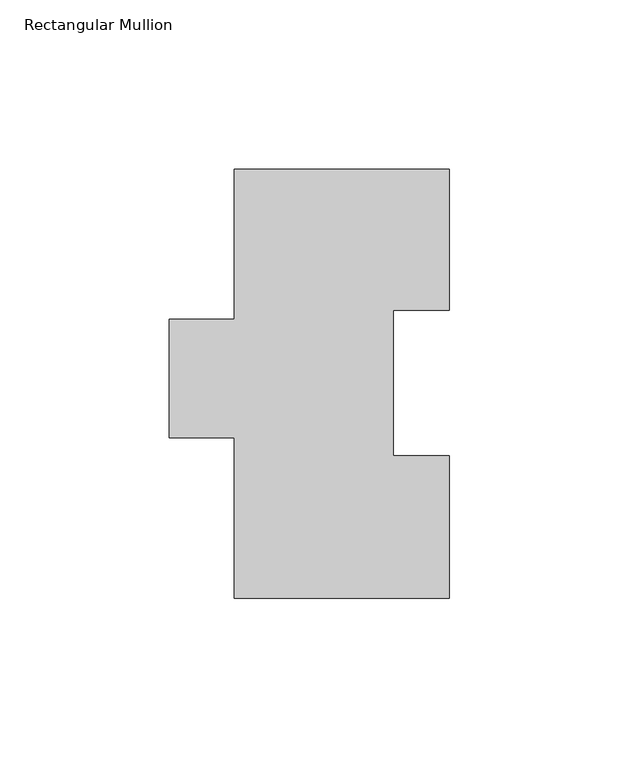
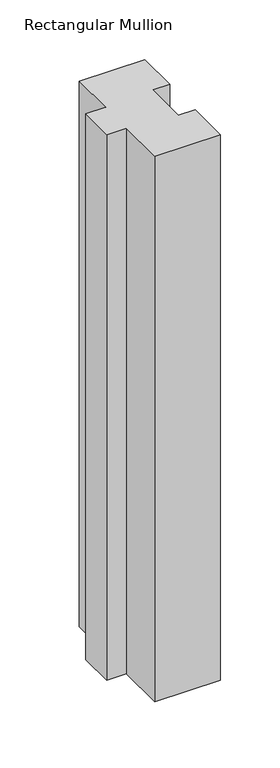
"""IFC4 building model written with IfcOpenShell, lengths in millimetres: member geometry, Rectangular Mullion."""

from ifc_helpers import new_model, si_unit, frame, origin, place, context, project, spatial, polyline, outline, extrude, source, transform, mapped, element, save


def rectangular_mullion_36fb4736(model_context):
    return source(origin(), model_context, "Body", "SweptSolid", [
        extrude(outline(polyline([(-63.5, 126.7348875), (0.0, 126.7348875), (0.0, 85.1296875), (-16.5466561, 85.1296875), (-16.5466561, 42.2798875), (0.0, 42.2798875), (0.0, 0.2428875), (-63.5, 0.2428875), (-63.5, 47.6138875), (-82.55, 47.6138875), (-82.55, 82.5388875), (-63.5, 82.5388875), (-63.5, 126.7348875)])), frame((0.0, 0.0, -558.8), z_axis=(0.0, 0.0, 1.0), x_axis=(1.0, 0.0, 0.0)), (0.0, 0.0, 1.0), 558.8),
    ])


if __name__ == "__main__":
    model = new_model("IFC4")
    model_context = context("Model", 3, world=origin())
    ifc_project = project(units=[si_unit("LENGTHUNIT", "METRE", prefix="MILLI")], contexts=[model_context])
    site = spatial("IfcSite", under=ifc_project)
    building = spatial("IfcBuilding", under=site)
    placement = place(None, origin())
    rectangular_mullion_shape = rectangular_mullion_36fb4736(model_context)
    element("IfcMember", 1, ObjectType="Rectangular Mullion", at=placement, inside=building, context=model_context, shape_type="MappedRepresentation", body=[
        mapped(rectangular_mullion_shape, transform((0.0, 0.0, 0.0), x_axis=(1.0, 0.0, 0.0), y_axis=(0.0, 1.0, 0.0), z_axis=(0.0, 0.0, 1.0))),
    ])
    save(model, "model.ifc")
